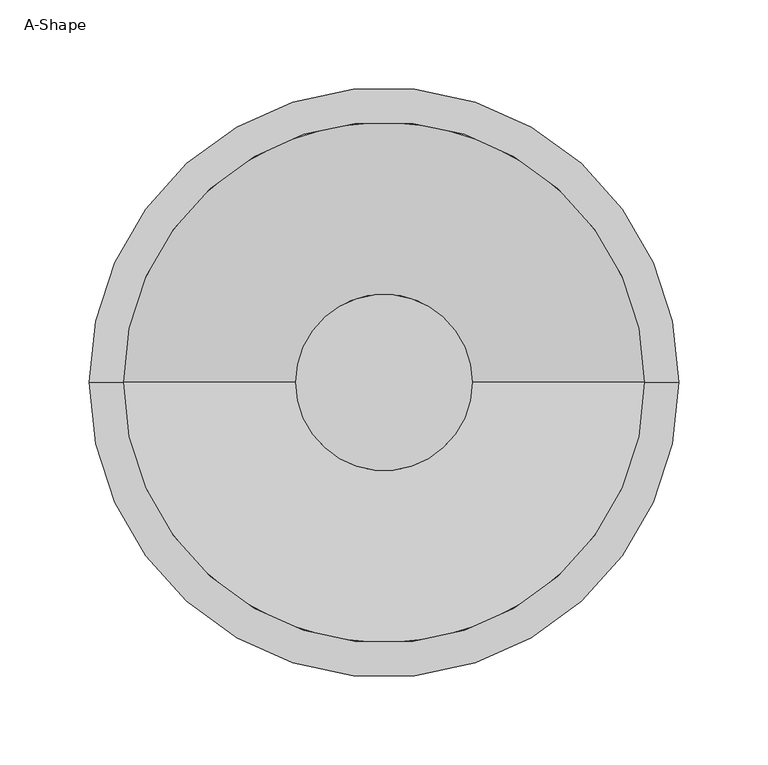
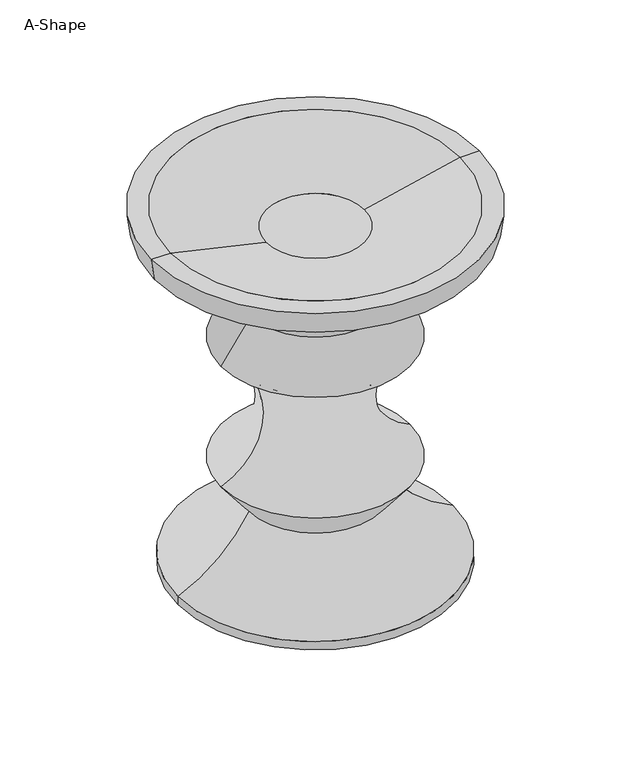
"""IFC4 building model written with IfcOpenShell, lengths in millimetres: furniture geometry, A-Shape."""

from ifc_helpers import new_model, si_unit, point, frame, origin, origin_with_axes, place, context, project, spatial, polyline, circle_curve, ellipse_curve, trimmed, source, transform, mapped, element, save
from ifc_brep_helpers import plane_surface, cylinder_surface, revolved_surface, advanced_brep


def a_shape_9fbf5c47(model_context):
    return source(origin(), model_context, "Body", "AdvancedBrep", [
        advanced_brep(
        [(165.1000061, 0.0, 381.0), (-165.1000061, 0.0, 381.0), (-146.049997, 0.0, 381.0), (146.049997, 0.0, 381.0), (-130.9877986, 0.0, 0.0), (130.9877986, 0.0, 0.0), (0.0, 0.0, 0.0), (-138.5327868, 0.0, 4.3560999), (138.5327868, 0.0, 4.3560999), (-138.5327868, 0.0, 13.0682998), (138.5327868, 0.0, 13.0682998), (-66.9478141, 0.0, 78.5498686), (66.9478141, 0.0, 78.5498686), (-95.25, 0.0, 114.3), (95.25, 0.0, 114.3), (-95.25, 0.0, 242.8240046), (95.25, 0.0, 242.8240046), (-65.0489086, 0.0, 285.8049238), (65.0489086, 0.0, 285.8049238), (-162.052009, 0.0, 358.9020029), (162.052009, 0.0, 358.9020029), (-49.372327, 0.0, 358.9020029), (49.372327, 0.0, 358.9020029)],
        [
            (0, 1, circle_curve(frame((0.0, 0.0, 381.0), z_axis=(0.0, 0.0, 1.0), x_axis=(1.0, 0.0, 0.0)), 165.1000061)),
            (1, 2),
            (2, 3, circle_curve(frame((0.0, 0.0, 381.0), z_axis=(0.0, 0.0, -1.0), x_axis=(1.0, 0.0, 0.0)), 146.049997)),
            (3, 0),
            (1, 0, circle_curve(frame((0.0, 0.0, 381.0), z_axis=(0.0, 0.0, 1.0), x_axis=(1.0, 0.0, 0.0)), 165.1000061)),
            (3, 2, circle_curve(frame((0.0, 0.0, 381.0), z_axis=(0.0, 0.0, -1.0), x_axis=(-1.0, 0.0, 0.0)), 146.049997)),
            (4, 5, circle_curve(frame((0.0, 0.0, 0.0), z_axis=(0.0, 0.0, -1.0), x_axis=(1.0, 0.0, 0.0)), 130.9877986)),
            (5, 6),
            (6, 4),
            (5, 4, circle_curve(frame((0.0, 0.0, 0.0), z_axis=(0.0, 0.0, -1.0), x_axis=(1.0, 0.0, 0.0)), 130.9877986)),
            (4, 7),
            (7, 8, circle_curve(frame((0.0, 0.0, 4.3560999), z_axis=(0.0, 0.0, -1.0), x_axis=(1.0, 0.0, 0.0)), 138.5327868)),
            (8, 5),
            (8, 7, circle_curve(frame((0.0, 0.0, 4.3560999), z_axis=(0.0, 0.0, -1.0), x_axis=(1.0, 0.0, 0.0)), 138.5327868)),
            (7, 9),
            (9, 10, circle_curve(frame((0.0, 0.0, 13.0682998), z_axis=(0.0, 0.0, -1.0), x_axis=(1.0, 0.0, 0.0)), 138.5327868)),
            (10, 8),
            (10, 9, circle_curve(frame((0.0, 0.0, 13.0682998), z_axis=(0.0, 0.0, -1.0), x_axis=(1.0, 0.0, 0.0)), 138.5327868)),
            (9, 11, circle_curve(frame((-198.7107996, 0.0, 150.7247985), z_axis=(0.0, -1.0, 0.0), x_axis=(-1.0, 0.0, 0.0)), 150.2354979)),
            (11, 12, circle_curve(frame((0.0, 0.0, 78.5498686), z_axis=(0.0, 0.0, -1.0), x_axis=(1.0, 0.0, 0.0)), 66.9478141)),
            (12, 10, circle_curve(frame((198.7107996, 0.0, 150.7247985), z_axis=(0.0, -1.0, 0.0), x_axis=(1.0, 0.0, 0.0)), 150.2354979)),
            (12, 11, circle_curve(frame((0.0, 0.0, 78.5498686), z_axis=(0.0, 0.0, -1.0), x_axis=(1.0, 0.0, 0.0)), 66.9478141)),
            (11, 13),
            (13, 14, circle_curve(frame((0.0, 0.0, 114.3), z_axis=(0.0, 0.0, -1.0), x_axis=(1.0, 0.0, 0.0)), 95.25)),
            (14, 12),
            (14, 13, circle_curve(frame((0.0, 0.0, 114.3), z_axis=(0.0, 0.0, -1.0), x_axis=(1.0, 0.0, 0.0)), 95.25)),
            (13, 15, circle_curve(frame((-122.0878913, 0.0, 178.5620023), z_axis=(0.0, -1.0, 0.0), x_axis=(-1.0, 0.0, 0.0)), 69.6410608)),
            (15, 16, circle_curve(frame((0.0, 0.0, 242.8240046), z_axis=(0.0, 0.0, -1.0), x_axis=(1.0, 0.0, 0.0)), 95.25)),
            (16, 14, circle_curve(frame((122.0878913, 0.0, 178.5620023), z_axis=(0.0, -1.0, 0.0), x_axis=(1.0, 0.0, 0.0)), 69.6410608)),
            (16, 15, circle_curve(frame((0.0, 0.0, 242.8240046), z_axis=(0.0, 0.0, -1.0), x_axis=(1.0, 0.0, 0.0)), 95.25)),
            (15, 17),
            (17, 18, circle_curve(frame((0.0, 0.0, 285.8049238), z_axis=(0.0, 0.0, -1.0), x_axis=(1.0, 0.0, 0.0)), 65.0489086)),
            (18, 16),
            (18, 17, circle_curve(frame((0.0, 0.0, 285.8049238), z_axis=(0.0, 0.0, -1.0), x_axis=(1.0, 0.0, 0.0)), 65.0489086)),
            (17, 19, circle_curve(frame((-299.8179301, 0.0, 75.1681801), z_axis=(0.0, -1.0, 0.0), x_axis=(-1.0, 0.0, 0.0)), 315.4113683)),
            (19, 20, circle_curve(frame((0.0, 0.0, 358.9020029), z_axis=(0.0, 0.0, -1.0), x_axis=(1.0, 0.0, 0.0)), 162.052009)),
            (20, 18, circle_curve(frame((299.8179301, 0.0, 75.1681801), z_axis=(0.0, -1.0, 0.0), x_axis=(1.0, 0.0, 0.0)), 315.4113683)),
            (20, 19, circle_curve(frame((0.0, 0.0, 358.9020029), z_axis=(0.0, 0.0, -1.0), x_axis=(1.0, 0.0, 0.0)), 162.052009)),
            (0, 20),
            (19, 1),
            (21, 22, circle_curve(frame((0.0, 0.0, 358.9020029), z_axis=(0.0, 0.0, 1.0), x_axis=(-1.0, 0.0, 0.0)), 49.372327)),
            (22, 21, circle_curve(frame((0.0, 0.0, 358.9020029), z_axis=(0.0, 0.0, 1.0), x_axis=(1.0, 0.0, 0.0)), 49.372327)),
            (21, 2),
            (3, 22),
        ],
        [
            plane_surface(frame((0.0, 0.0, 381.0), z_axis=(0.0, 0.0, 1.0), x_axis=(1.0, 0.0, 0.0))),
            plane_surface(frame((0.0, 0.0, 0.0), z_axis=(0.0, 0.0, -1.0), x_axis=(1.0, 0.0, 0.0))),
            revolved_surface(polyline([(130.9877986, 0.0, 0.0), (138.5327868, 0.0, 4.3560999)]), (0.0, 0.0, 0.0), (0.0, 0.0, 1.0)),
            cylinder_surface(origin_with_axes(), 138.5327868),
            revolved_surface(trimmed(ellipse_curve(frame((198.7107996, 0.0, 150.7247985), z_axis=(0.0, 1.0, 0.0), x_axis=(1.0, 0.0, 0.0)), 150.2354979, 150.2354979), [point((138.5327868, 0.0, 13.0682998))], [point((66.9478141, 0.0, 78.5498686))], True, "CARTESIAN"), (0.0, 0.0, 0.0), (0.0, 0.0, 1.0)),
            revolved_surface(polyline([(66.9478141, 0.0, 78.5498686), (95.25, 0.0, 114.3)]), (0.0, 0.0, 0.0), (0.0, 0.0, 1.0)),
            revolved_surface(trimmed(ellipse_curve(frame((122.0878913, 0.0, 178.5620023), z_axis=(0.0, 1.0, 0.0), x_axis=(1.0, 0.0, 0.0)), 69.6410608, 69.6410608), [point((95.25, 0.0, 114.3))], [point((95.25, 0.0, 242.8240046))], True, "CARTESIAN"), (0.0, 0.0, 0.0), (0.0, 0.0, 1.0)),
            revolved_surface(polyline([(95.25, 0.0, 242.8240046), (65.0489086, 0.0, 285.8049238)]), (0.0, 0.0, 0.0), (0.0, 0.0, 1.0)),
            revolved_surface(trimmed(ellipse_curve(frame((299.8179301, 0.0, 75.1681801), z_axis=(0.0, 1.0, 0.0), x_axis=(1.0, 0.0, 0.0)), 315.4113683, 315.4113683), [point((65.0489086, 0.0, 285.8049238))], [point((162.052009, 0.0, 358.9020029))], True, "CARTESIAN"), (0.0, 0.0, 0.0), (0.0, 0.0, 1.0)),
            revolved_surface(polyline([(162.052009, 0.0, 358.9020029), (165.1000061, 0.0, 381.0)]), (0.0, 0.0, 0.0), (0.0, 0.0, 1.0)),
            plane_surface(frame((0.0, 0.0, 358.9020029), z_axis=(0.0, 0.0, 1.0), x_axis=(0.0, -1.0, 0.0))),
            revolved_surface(polyline([(-146.049997, 0.0, 381.0), (-49.37232699774562, 0.0, 358.9020029)]), (0.0, 0.0, 347.616775), (0.0, 0.0, 1.0)),
            revolved_surface(polyline([(146.049997, 0.0, 381.0), (49.37232699774562, 0.0, 358.9020029)]), (0.0, 0.0, 347.616775), (0.0, 0.0, 1.0)),
        ],
        [
            (0, [[1, 2, 3, 4]]),
            (0, [[5, -4, 6, -2]]),
            (1, [[7, 8, 9]]),
            (1, [[-8, 10, -9]]),
            (2, [[-7, 11, 12, 13]]),
            (2, [[-10, -13, 14, -11]]),
            (3, [[-12, 15, 16, 17]]),
            (3, [[-14, -17, 18, -15]]),
            (4, [[-16, 19, 20, 21]]),
            (4, [[-18, -21, 22, -19]]),
            (5, [[-20, 23, 24, 25]]),
            (5, [[-22, -25, 26, -23]]),
            (6, [[-24, 27, 28, 29]]),
            (6, [[-26, -29, 30, -27]]),
            (7, [[-28, 31, 32, 33]]),
            (7, [[-30, -33, 34, -31]]),
            (8, [[-32, 35, 36, 37]]),
            (8, [[-34, -37, 38, -35]]),
            (9, [[-1, 39, -36, 40]]),
            (9, [[-5, -40, -38, -39]]),
            (10, [[41, 42]]),
            (11, [[-41, 43, -6, 44]]),
            (12, [[-42, -44, -3, -43]]),
        ],
    ),
    ])


if __name__ == "__main__":
    model = new_model("IFC4")
    model_context = context("Model", 3, world=origin())
    ifc_project = project(units=[si_unit("LENGTHUNIT", "METRE", prefix="MILLI")], contexts=[model_context])
    site = spatial("IfcSite", under=ifc_project)
    building = spatial("IfcBuilding", under=site)
    placement = place(None, origin())
    a_shape_shape = a_shape_9fbf5c47(model_context)
    element("IfcFurniture", 1, ObjectType="A-Shape", at=placement, inside=building, context=model_context, shape_type="MappedRepresentation", body=[
        mapped(a_shape_shape, transform((0.0, 0.0, 0.0), x_axis=(1.0, 0.0, 0.0), y_axis=(0.0, 1.0, 0.0), z_axis=(0.0, 0.0, 1.0))),
    ])
    save(model, "model.ifc")
